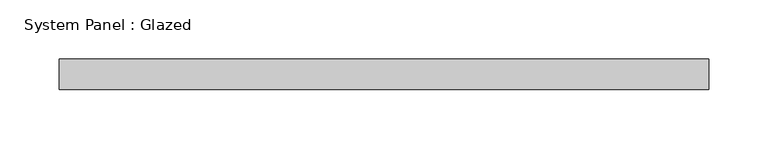
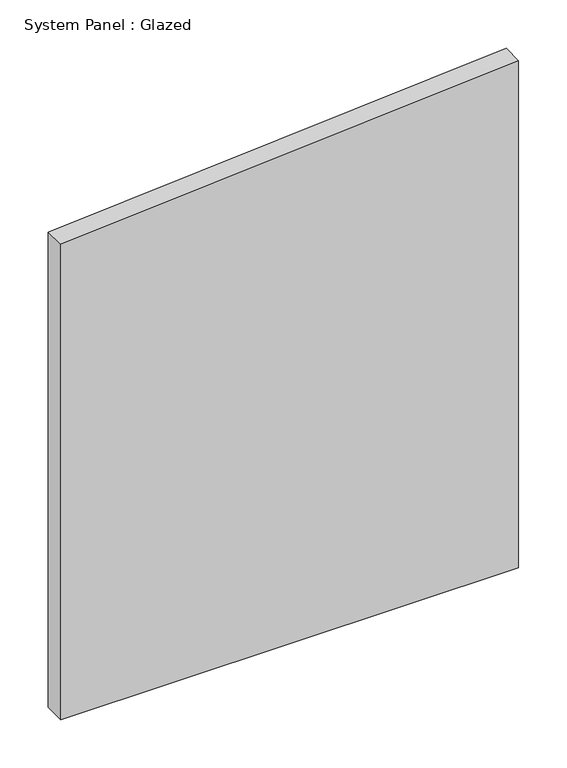
"""IFC4 building model written with IfcOpenShell, lengths in millimetres: plate geometry, System Panel : Glazed."""

from ifc_helpers import new_model, si_unit, frame, origin, place, context, project, spatial, polyline, outline, extrude, source, transform, mapped, element, save


def system_panel_glazed_19b3d25e(model_context):
    return source(origin(), model_context, "Body", "SweptSolid", [
        extrude(outline(polyline([(0.0, -273.05), (0.0, 273.05), (639.1026118, 273.05), (598.7160384, -273.05), (0.0, -273.05)])), frame((0.0, 19.05, 0.0), z_axis=(0.0, 1.0, 0.0), x_axis=(0.0, 0.0, 1.0)), (0.0, 0.0, 1.0), 25.4),
    ])


if __name__ == "__main__":
    model = new_model("IFC4")
    model_context = context("Model", 3, world=origin())
    ifc_project = project(units=[si_unit("LENGTHUNIT", "METRE", prefix="MILLI")], contexts=[model_context])
    site = spatial("IfcSite", under=ifc_project)
    building = spatial("IfcBuilding", under=site)
    placement = place(None, origin())
    system_panel_glazed_shape = system_panel_glazed_19b3d25e(model_context)
    element("IfcPlate", 1, ObjectType="System Panel : Glazed", at=placement, inside=building, context=model_context, shape_type="MappedRepresentation", body=[
        mapped(system_panel_glazed_shape, transform((0.0, 0.0, 0.0), x_axis=(1.0, 0.0, 0.0), y_axis=(0.0, 1.0, 0.0), z_axis=(0.0, 0.0, 1.0))),
    ])
    save(model, "model.ifc")
